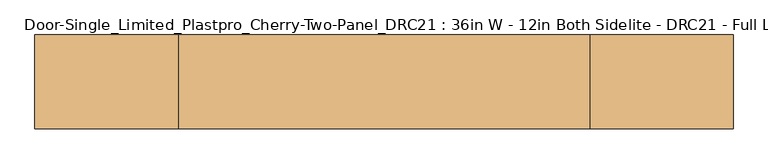
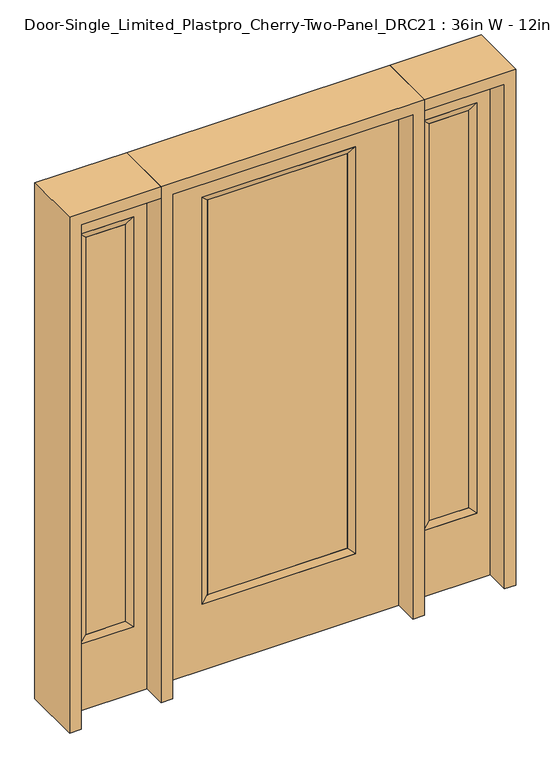
"""IFC4 building model written with IfcOpenShell, lengths in millimetres: door geometry, Door-Single_Limited_Plastpro_Cherry-Two-Panel_DRC21 : 36in W - 12in Both Sidelite - DRC21 - Full Lite - 80in."""

from ifc_helpers import new_model, si_unit, frame, origin, place, context, project, spatial, polyline, outline, extrude, faceted_brep, source, transform, mapped, element, save


def door_single_limited_plastpro_cherry_two_panel_drc21_36in_w_4bc2bf05(model_context):
    return source(origin(), model_context, "Body", "SolidModel", [
        extrude(outline(polyline([(266.7, -12.7), (-266.7, -12.7), (-266.7, 12.7), (266.7, 12.7), (266.7, -12.7)])), frame((0.0, 0.0, 284.95625), z_axis=(0.0, 0.0, 1.0), x_axis=(1.0, 0.0, 0.0)), (0.0, 0.0, 1.0), 1607.34375),
        faceted_brep([(-292.1, -22.225, 1905.0), (-292.1, 22.225, 1905.0), (-292.1, 22.225, 266.7), (-292.1, -22.225, 266.7), (292.1, 22.225, 266.7), (292.1, -22.225, 266.7), (-266.7, 12.7, 292.1), (266.7, 12.7, 292.1), (292.1, 22.225, 1905.0), (292.1, -22.225, 1905.0), (-266.7, -12.7, 292.1), (266.7, -12.7, 292.1), (-266.7, -12.7, 1879.6), (266.7, -12.7, 1879.6), (-266.7, 12.7, 1879.6), (266.7, 12.7, 1879.6)], [[[0, 1, 2, 3]], [[3, 2, 4, 5]], [[2, 6, 7, 4]], [[5, 4, 8, 9]], [[10, 3, 5, 11]], [[12, 0, 3, 10]], [[11, 5, 9, 13]], [[6, 10, 11, 7]], [[14, 12, 10, 6]], [[7, 11, 13, 15]], [[1, 14, 6, 2]], [[4, 7, 15, 8]], [[9, 8, 1, 0]], [[13, 9, 0, 12]], [[15, 13, 12, 14]], [[8, 15, 14, 1]]]),
        extrude(outline(polyline([(2032.0, 457.2), (2032.0, -457.2), (0.0, -457.2), (0.0, 457.2), (2032.0, 457.2)]), holes=[polyline([(1905.0, -292.1), (1905.0, 292.1), (266.7, 292.1), (266.7, -292.1), (1905.0, -292.1)])]), frame((0.0, -22.225, 0.0), z_axis=(0.0, 1.0, 0.0), x_axis=(0.0, 0.0, 1.0)), (0.0, 0.0, 1.0), 44.45),
        faceted_brep([(552.45, 20.6375, 1917.7), (552.45, 20.6375, 266.7), (552.45, -20.6375, 266.7), (552.45, -20.6375, 1917.7), (577.85, -12.7, 292.1), (577.85, -12.7, 1892.3), (755.65, 20.6375, 266.7), (755.65, -20.6375, 266.7), (577.85, 12.7, 1892.3), (577.85, 12.7, 292.1), (730.25, 12.7, 292.1), (730.25, -12.7, 292.1), (755.65, 20.6375, 1917.7), (755.65, -20.6375, 1917.7), (730.25, 12.7, 1892.3), (730.25, -12.7, 1892.3)], [[[0, 1, 2, 3]], [[3, 2, 4, 5]], [[1, 6, 7, 2]], [[8, 9, 1, 0]], [[9, 10, 6, 1]], [[5, 4, 9, 8]], [[4, 11, 10, 9]], [[2, 7, 11, 4]], [[6, 12, 13, 7]], [[10, 14, 12, 6]], [[11, 15, 14, 10]], [[7, 13, 15, 11]], [[12, 0, 3, 13]], [[14, 8, 0, 12]], [[15, 5, 8, 14]], [[13, 3, 5, 15]]]),
        extrude(outline(polyline([(0.0, 806.45), (2032.0, 806.45), (2032.0, 501.65), (0.0, 501.65), (0.0, 806.45)]), holes=[polyline([(1917.7, 552.45), (1917.7, 755.65), (266.7, 755.65), (266.7, 552.45), (1917.7, 552.45)])]), frame((0.0, -20.6375, 0.0), z_axis=(0.0, 1.0, 0.0), x_axis=(0.0, 0.0, 1.0)), (0.0, 0.0, 1.0), 41.275),
        extrude(outline(polyline([(577.85, -12.7), (577.85, 12.7), (730.25, 12.7), (730.25, -12.7), (577.85, -12.7)])), frame((0.0, 0.0, 292.1), z_axis=(0.0, 0.0, 1.0), x_axis=(1.0, 0.0, 0.0)), (0.0, 0.0, 1.0), 1600.2),
        faceted_brep([(-552.45, 20.6375, 1917.7), (-552.45, -20.6375, 1917.7), (-552.45, -20.6375, 266.7), (-552.45, 20.6375, 266.7), (-577.85, -12.7, 1892.3), (-577.85, -12.7, 292.1), (-755.65, -20.6375, 266.7), (-755.65, 20.6375, 266.7), (-577.85, 12.7, 1892.3), (-577.85, 12.7, 292.1), (-730.25, 12.7, 292.1), (-730.25, -12.7, 292.1), (-755.65, -20.6375, 1917.7), (-755.65, 20.6375, 1917.7), (-730.25, 12.7, 1892.3), (-730.25, -12.7, 1892.3)], [[[0, 1, 2, 3]], [[1, 4, 5, 2]], [[3, 2, 6, 7]], [[8, 0, 3, 9]], [[9, 3, 7, 10]], [[4, 8, 9, 5]], [[5, 9, 10, 11]], [[2, 5, 11, 6]], [[7, 6, 12, 13]], [[10, 7, 13, 14]], [[11, 10, 14, 15]], [[6, 11, 15, 12]], [[13, 12, 1, 0]], [[14, 13, 0, 8]], [[15, 14, 8, 4]], [[12, 15, 4, 1]]]),
        extrude(outline(polyline([(0.0, -806.45), (0.0, -501.65), (2032.0, -501.65), (2032.0, -806.45), (0.0, -806.45)]), holes=[polyline([(1917.7, -552.45), (266.7, -552.45), (266.7, -755.65), (1917.7, -755.65), (1917.7, -552.45)])]), frame((0.0, -20.6375, 0.0), z_axis=(0.0, 1.0, 0.0), x_axis=(0.0, 0.0, 1.0)), (0.0, 0.0, 1.0), 41.275),
        extrude(outline(polyline([(-577.85, -12.7), (-730.25, -12.7), (-730.25, 12.7), (-577.85, 12.7), (-577.85, -12.7)])), frame((0.0, 0.0, 292.1), z_axis=(0.0, 0.0, 1.0), x_axis=(1.0, 0.0, 0.0)), (0.0, 0.0, 1.0), 1600.2),
        extrude(outline(polyline([(2032.0, -501.65), (2076.45, -501.65), (2076.45, -850.9), (0.0, -850.9), (0.0, -806.45), (2032.0, -806.45), (2032.0, -501.65)])), frame((0.0, -114.3, 0.0), z_axis=(0.0, 1.0, 0.0), x_axis=(0.0, 0.0, 1.0)), (0.0, 0.0, 1.0), 228.6),
        extrude(outline(polyline([(2076.45, -501.65), (0.0, -501.65), (0.0, -457.2), (2032.0, -457.2), (2032.0, 457.2), (0.0, 457.2), (0.0, 501.65), (2076.45, 501.65), (2076.45, -501.65)])), frame((0.0, -114.3, 0.0), z_axis=(0.0, 1.0, 0.0), x_axis=(0.0, 0.0, 1.0)), (0.0, 0.0, 1.0), 228.6),
        extrude(outline(polyline([(0.0, 806.45), (0.0, 850.9), (2076.45, 850.9), (2076.45, 501.65), (2032.0, 501.65), (2032.0, 806.45), (0.0, 806.45)])), frame((0.0, -114.3, 0.0), z_axis=(0.0, 1.0, 0.0), x_axis=(0.0, 0.0, 1.0)), (0.0, 0.0, 1.0), 228.6),
    ])


if __name__ == "__main__":
    model = new_model("IFC4")
    model_context = context("Model", 3, world=origin())
    ifc_project = project(units=[si_unit("LENGTHUNIT", "METRE", prefix="MILLI")], contexts=[model_context])
    site = spatial("IfcSite", under=ifc_project)
    building = spatial("IfcBuilding", under=site)
    placement = place(None, origin())
    door_single_limited_plastpro_cherry_two_panel_drc21_36in_w_shape = door_single_limited_plastpro_cherry_two_panel_drc21_36in_w_4bc2bf05(model_context)
    element("IfcDoor", 1, ObjectType="Door-Single_Limited_Plastpro_Cherry-Two-Panel_DRC21 : 36in W - 12in Both Sidelite - DRC21 - Full Lite - 80in", at=placement, inside=building, context=model_context, shape_type="MappedRepresentation", body=[
        mapped(door_single_limited_plastpro_cherry_two_panel_drc21_36in_w_shape, transform((0.0, 0.0, 0.0), x_axis=(1.0, 0.0, 0.0), y_axis=(0.0, 1.0, 0.0), z_axis=(0.0, 0.0, 1.0))),
    ])
    save(model, "model.ifc")
